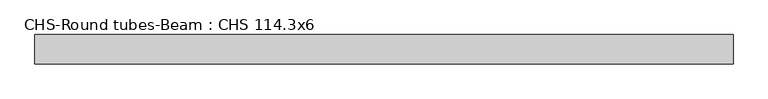
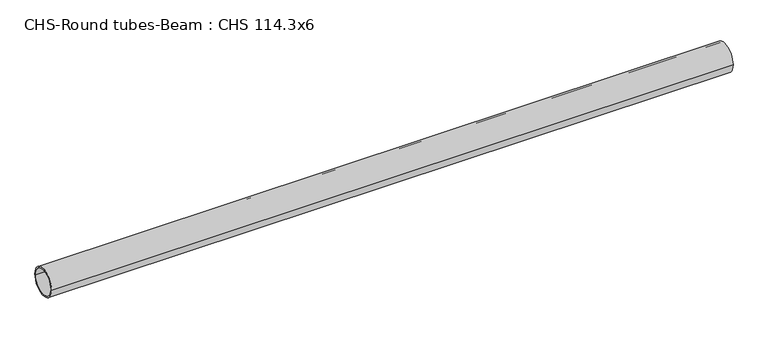
"""IFC4 building model written with IfcOpenShell, lengths in millimetres: beam geometry, CHS-Round tubes-Beam : CHS 114.3x6."""

from ifc_helpers import new_model, si_unit, point, frame, origin, origin_2d, place, context, project, spatial, circle_curve, trimmed, segment, composite_curve, outline, extrude, source, transform, mapped, element, save


def chs_round_tubes_beam_chs_114_3x6_4dfd6ef0(model_context):
    return source(origin(), model_context, "Body", "SweptSolid", [
        extrude(outline(composite_curve([segment(trimmed(circle_curve(origin_2d(), 57.15), [point((57.15, 0.0))], [point((-57.15, 0.0))], False, "CARTESIAN"), True, "CONTINUOUS"), segment(trimmed(circle_curve(origin_2d(), 57.15), [point((-57.15, 0.0))], [point((57.15, 0.0))], False, "CARTESIAN"), True, "CONTINUOUS")], self_intersect=False), holes=[composite_curve([segment(trimmed(circle_curve(origin_2d(), 51.15), [point((51.15, 0.0))], [point((-51.15, 0.0))], True, "CARTESIAN"), True, "CONTINUOUS"), segment(trimmed(circle_curve(origin_2d(), 51.15), [point((-51.15, 0.0))], [point((51.15, 0.0))], True, "CARTESIAN"), True, "CONTINUOUS")], self_intersect=False)]), frame((-1277.1090559, 0.0, 0.0), z_axis=(1.0, 0.0, 0.0), x_axis=(0.0, 1.0, 0.0)), (0.0, 0.0, 1.0), 2714.8768071),
    ])


if __name__ == "__main__":
    model = new_model("IFC4")
    model_context = context("Model", 3, world=origin())
    ifc_project = project(units=[si_unit("LENGTHUNIT", "METRE", prefix="MILLI")], contexts=[model_context])
    site = spatial("IfcSite", under=ifc_project)
    building = spatial("IfcBuilding", under=site)
    placement = place(None, origin())
    chs_round_tubes_beam_chs_114_3x6_shape = chs_round_tubes_beam_chs_114_3x6_4dfd6ef0(model_context)
    element("IfcBeam", 1, ObjectType="CHS-Round tubes-Beam : CHS 114.3x6", at=placement, inside=building, context=model_context, shape_type="MappedRepresentation", body=[
        mapped(chs_round_tubes_beam_chs_114_3x6_shape, transform((0.0, 0.0, 0.0), x_axis=(1.0, 0.0, 0.0), y_axis=(0.0, 1.0, 0.0), z_axis=(0.0, 0.0, 1.0))),
    ])
    save(model, "model.ifc")
